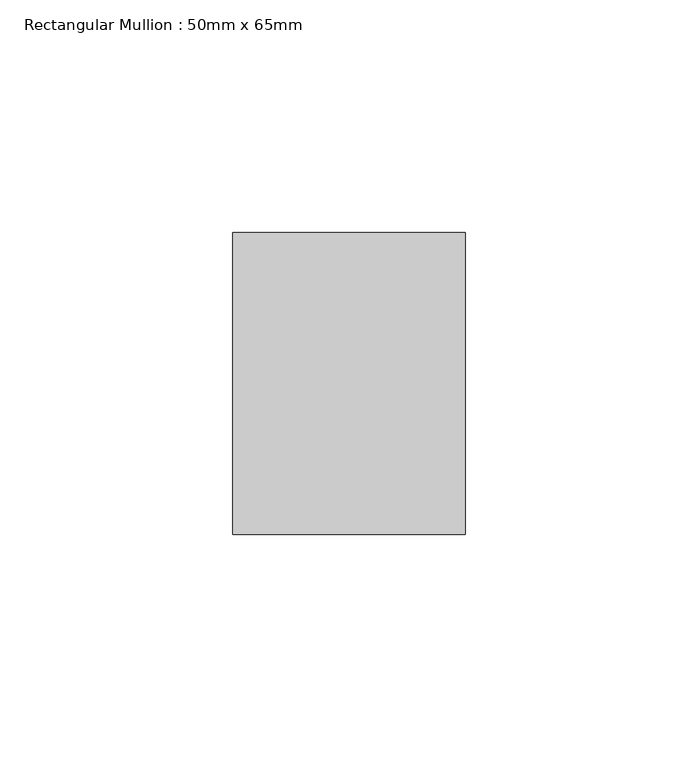
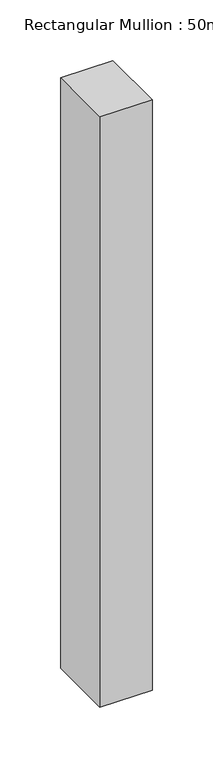
"""IFC4 building model written with IfcOpenShell, lengths in millimetres: member geometry, Rectangular Mullion : 50mm x 65mm."""

from ifc_helpers import new_model, si_unit, frame, origin, place, context, project, spatial, polyline, outline, extrude, source, transform, mapped, element, save


def rectangular_mullion_50mm_x_65mm_be02469b(model_context):
    return source(origin(), model_context, "Body", "SweptSolid", [
        extrude(outline(polyline([(25.0, 32.5), (25.0, -32.5), (-25.0, -32.5), (-25.0, 32.5), (25.0, 32.5)])), frame((0.0, 0.0, -595.7757911), z_axis=(0.0, 0.0, 1.0), x_axis=(1.0, 0.0, 0.0)), (0.0, 0.0, 1.0), 595.7757911),
    ])


if __name__ == "__main__":
    model = new_model("IFC4")
    model_context = context("Model", 3, world=origin())
    ifc_project = project(units=[si_unit("LENGTHUNIT", "METRE", prefix="MILLI")], contexts=[model_context])
    site = spatial("IfcSite", under=ifc_project)
    building = spatial("IfcBuilding", under=site)
    placement = place(None, origin())
    rectangular_mullion_50mm_x_65mm_shape = rectangular_mullion_50mm_x_65mm_be02469b(model_context)
    element("IfcMember", 1, ObjectType="Rectangular Mullion : 50mm x 65mm", at=placement, inside=building, context=model_context, shape_type="MappedRepresentation", body=[
        mapped(rectangular_mullion_50mm_x_65mm_shape, transform((0.0, 0.0, 0.0), x_axis=(1.0, 0.0, 0.0), y_axis=(0.0, 1.0, 0.0), z_axis=(0.0, 0.0, 1.0))),
    ])
    save(model, "model.ifc")
